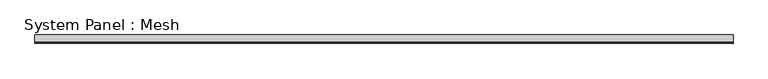
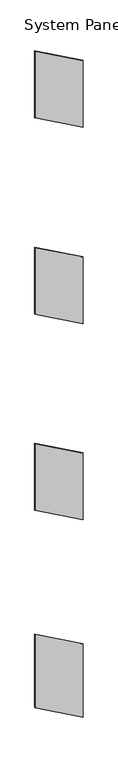
"""IFC4 building model written with IfcOpenShell, lengths in millimetres: plate geometry, System Panel : Mesh."""

from ifc_helpers import new_model, si_unit, frame, origin, place, context, project, spatial, polyline, outline, extrude, source, transform, mapped, element, save


def system_panel_mesh_dbc1a3c4(model_context):
    return source(origin(), model_context, "Body", "SweptSolid", [
        extrude(outline(polyline([(4880.0171049, -500.386956), (4324.748999, 500.386956), (5785.8043221, 500.386956), (6341.0724281, -500.386956), (4880.0171049, -500.386956)])), frame((0.0, -5.0, 0.0), z_axis=(0.0, 1.0, 0.0), x_axis=(0.0, 0.0, 1.0)), (0.0, 0.0, 1.0), 10.0),
        extrude(outline(polyline([(9180.0171049, -500.386956), (8624.748999, 500.386956), (10085.8043221, 500.386956), (10641.0724281, -500.386956), (9180.0171049, -500.386956)])), frame((0.0, -5.0, 0.0), z_axis=(0.0, 1.0, 0.0), x_axis=(0.0, 0.0, 1.0)), (0.0, 0.0, 1.0), 10.0),
        extrude(outline(polyline([(558.7447399, -500.386956), (0.0, 500.386956), (1603.4205689, 500.386956), (2162.1653088, -500.386956), (558.7447399, -500.386956)])), frame((0.0, -5.0, 0.0), z_axis=(0.0, 1.0, 0.0), x_axis=(0.0, 0.0, 1.0)), (0.0, 0.0, 1.0), 10.0),
        extrude(outline(polyline([(13482.0810175, -500.386956), (12925.5215903, 500.386956), (14387.4541173, 500.386956), (14944.0135444, -500.386956), (13482.0810175, -500.386956)])), frame((0.0, -5.0, 0.0), z_axis=(0.0, 1.0, 0.0), x_axis=(0.0, 0.0, 1.0)), (0.0, 0.0, 1.0), 10.0),
    ])


if __name__ == "__main__":
    model = new_model("IFC4")
    model_context = context("Model", 3, world=origin())
    ifc_project = project(units=[si_unit("LENGTHUNIT", "METRE", prefix="MILLI")], contexts=[model_context])
    site = spatial("IfcSite", under=ifc_project)
    building = spatial("IfcBuilding", under=site)
    placement = place(None, origin())
    system_panel_mesh_shape = system_panel_mesh_dbc1a3c4(model_context)
    element("IfcPlate", 1, ObjectType="System Panel : Mesh", at=placement, inside=building, context=model_context, shape_type="MappedRepresentation", body=[
        mapped(system_panel_mesh_shape, transform((0.0, 0.0, 0.0), x_axis=(1.0, 0.0, 0.0), y_axis=(0.0, 1.0, 0.0), z_axis=(0.0, 0.0, 1.0))),
    ])
    save(model, "model.ifc")
